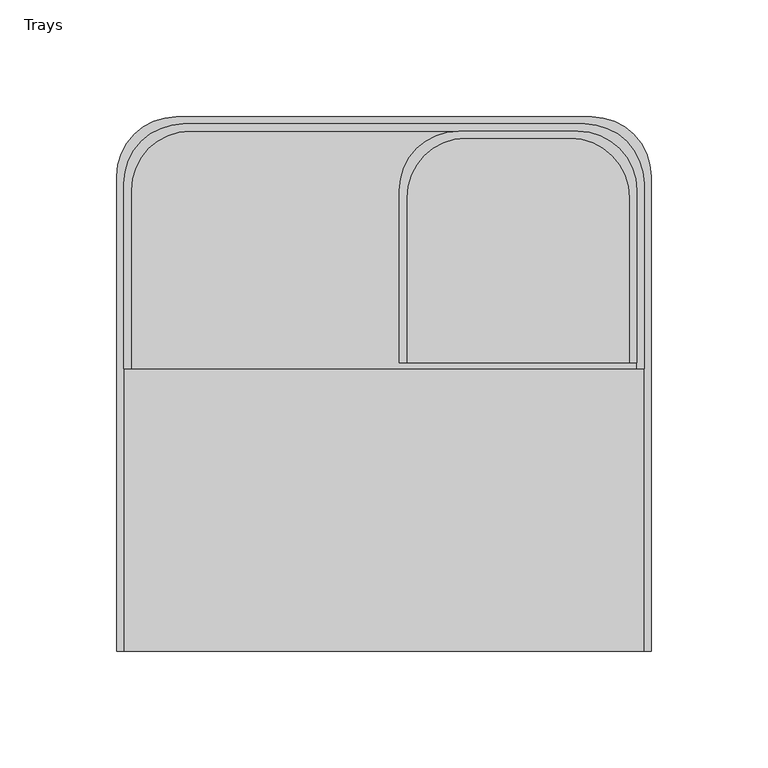
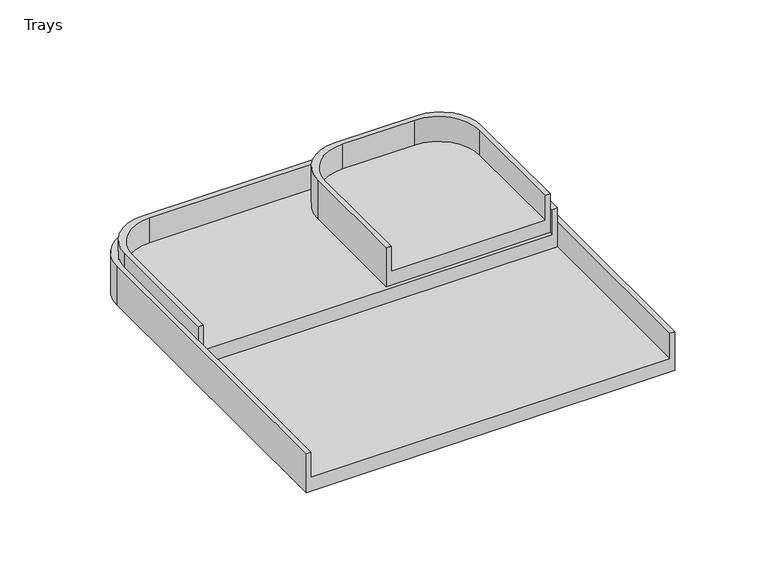
"""IFC4 building model written with IfcOpenShell, lengths in millimetres: furniture geometry, Trays."""

import ifcopenshell
import ifcopenshell.guid

model = None  # the IFC model being written
_history = None  # IfcOwnerHistory: only IFC2X3 demands one
_inside = {}  # id of a spatial element -> (the spatial element, [elements in it])
_under = {}  # id of a project, library or spatial element -> (it, [spatial elements below it])
_declared = {}  # id of a project -> (the project, [libraries it declares])
_typed = {}  # id of a type object -> (the type object, [elements of that type])
_made_of = {}  # id of a material, layer set ... -> (it, [elements and type objects made of it])


def new_model(schema):
    """Start an empty IFC model of exactly this schema.

    Asked for "IFC4X3", IfcOpenShell would pick the latest addendum, in which some entities
    have other attributes; the version numbers below select the first issue.
    IFC2X3 requires an IfcOwnerHistory on every rooted entity: one is made here for all.
    """
    global model, _history
    if schema == "IFC4X3":
        model = ifcopenshell.file(schema_version=(4, 3, 0, 0))
    else:
        model = ifcopenshell.file(schema=schema)
    _inside.clear()
    _under.clear()
    _declared.clear()
    _typed.clear()
    _made_of.clear()
    _history = None
    if model.schema == "IFC2X3":
        org = make("IfcOrganization", Name="unknown")
        user = make(
            "IfcPersonAndOrganization",
            ThePerson=make("IfcPerson", FamilyName="unknown"),
            TheOrganization=org,
        )
        app = make(
            "IfcApplication",
            ApplicationDeveloper=org,
            Version="unknown",
            ApplicationFullName="unknown",
            ApplicationIdentifier="unknown",
        )
        _history = make(
            "IfcOwnerHistory",
            OwningUser=user,
            OwningApplication=app,
            ChangeAction="ADDED",
            CreationDate=0,
        )
    return model


def make(cls, **values):
    """One entity of the class cls with the attributes given. An attribute that is None is left unset."""
    return model.create_entity(
        cls, **{name: value for name, value in values.items() if value is not None}
    )


def rooted(cls, **values):
    """An entity with a GlobalId (a new one), such as an element, a storey or a relation."""
    return make(cls, GlobalId=ifcopenshell.guid.new(), OwnerHistory=_history, **values)


def si_unit(unit_type, name, prefix=None):
    """IfcSIUnit, for example si_unit("LENGTHUNIT", "METRE", prefix="MILLI")."""
    return make("IfcSIUnit", UnitType=unit_type, Prefix=prefix, Name=name)


def assignment(units):
    """IfcUnitAssignment: the units of a project."""
    return None if units is None else make("IfcUnitAssignment", Units=units)


def point(xyz):
    """IfcCartesianPoint."""
    return None if xyz is None else make("IfcCartesianPoint", Coordinates=xyz)


def direction(xyz):
    """IfcDirection."""
    return None if xyz is None else make("IfcDirection", DirectionRatios=xyz)


def frame(location, z_axis=None, x_axis=None):
    """IfcAxis2Placement3D, a coordinate frame: its origin and axes. An axis left out is left unset."""
    return make(
        "IfcAxis2Placement3D",
        Location=point(location),
        Axis=direction(z_axis),
        RefDirection=direction(x_axis),
    )


def origin():
    """The frame at (0, 0, 0) with its axes left unset."""
    return frame((0.0, 0.0, 0.0))


def place(relative_to, where):
    """IfcLocalPlacement: puts the frame where relative to a parent placement (None: the world)."""
    return make(
        "IfcLocalPlacement", PlacementRelTo=relative_to, RelativePlacement=where
    )


def context(
    kind, dimensions, precision=None, world=None, true_north=None, identifier=None
):
    """IfcGeometricRepresentationContext, for example the 3D "Model" context."""
    return make(
        "IfcGeometricRepresentationContext",
        ContextIdentifier=identifier,
        ContextType=kind,
        CoordinateSpaceDimension=dimensions,
        Precision=precision,
        WorldCoordinateSystem=world,
        TrueNorth=true_north,
    )


def project(units=None, contexts=None):
    """IfcProject with its units and contexts."""
    return rooted(
        "IfcProject",
        Name="project",
        RepresentationContexts=contexts,
        UnitsInContext=assignment(units),
    )


def spatial(cls, under=None, at=None, **own):
    """A site, building, storey or space (cls), placed at a placement, below another one or the project."""
    s = rooted(cls, ObjectPlacement=at, **own)
    if under is not None:
        _under.setdefault(under.id(), (under, []))[1].append(s)
    return s


def polyline(points):
    """IfcPolyline through the points."""
    return make("IfcPolyline", Points=[point(p) for p in points])


def circle_curve(where, radius):
    """IfcCircle in the frame where."""
    return make("IfcCircle", Position=where, Radius=radius)


def shape(context_of_items, identifier, shape_type, items):
    """IfcShapeRepresentation: the items that make up one representation, for example the "Body"."""
    return make(
        "IfcShapeRepresentation",
        ContextOfItems=context_of_items,
        RepresentationIdentifier=identifier,
        RepresentationType=shape_type,
        Items=items,
    )


def source(mapping_origin, context_of_items, identifier, shape_type, items):
    """IfcRepresentationMap: a shape defined once, which mapped items show again and again."""
    return make(
        "IfcRepresentationMap",
        MappingOrigin=mapping_origin,
        MappedRepresentation=shape(context_of_items, identifier, shape_type, items),
    )


def transform(
    local_origin,
    x_axis=None,
    y_axis=None,
    z_axis=None,
    scale=None,
    scale2=None,
    scale3=None,
    uniform=True,
):
    """IfcCartesianTransformationOperator3D, or its non-uniform kind. x_axis, y_axis, z_axis: its Axis1, 2, 3."""
    if uniform:
        return make(
            "IfcCartesianTransformationOperator3D",
            Axis1=direction(x_axis),
            Axis2=direction(y_axis),
            LocalOrigin=point(local_origin),
            Scale=scale,
            Axis3=direction(z_axis),
        )
    return make(
        "IfcCartesianTransformationOperator3DnonUniform",
        Axis1=direction(x_axis),
        Axis2=direction(y_axis),
        LocalOrigin=point(local_origin),
        Scale=scale,
        Axis3=direction(z_axis),
        Scale2=scale2,
        Scale3=scale3,
    )


def mapped(mapping_source, mapping_target):
    """IfcMappedItem: shows the shape of a source again, moved by a transform."""
    return make(
        "IfcMappedItem", MappingSource=mapping_source, MappingTarget=mapping_target
    )


def made_of(thing, what):
    """Note that an element or type object is made of a material, layer set ...; save() writes the relation."""
    if what is not None:
        _made_of.setdefault(what.id(), (what, []))[1].append(thing)
    return thing


def element(
    cls,
    number,
    at=None,
    inside=None,
    cuts=None,
    type_object=None,
    material=None,
    context=None,
    identifier="Body",
    shape_type=None,
    held_by="IfcProductDefinitionShape",
    body=None,
    shapes=None,
    **own,
):
    """One element of the class cls, such as IfcWall. Its Tag is "e" and its number.

    at: its placement. inside: the storey or other place that contains it. cuts: it is an
    opening in that element (IfcRelVoidsElement). A single representation is given by context,
    identifier, shape_type and body (its items); several are given by shapes. held_by: the class
    of the entity that holds the representations. save() writes the other relations.
    """
    e = rooted(cls, Tag="e%d" % number, ObjectPlacement=at, **own)
    if body is not None:
        shapes = [shape(context, identifier, shape_type, body)]
    if shapes is not None:
        e.Representation = make(held_by, Representations=shapes)
    if inside is not None:
        _inside.setdefault(inside.id(), (inside, []))[1].append(e)
    if cuts is not None:
        rooted(
            "IfcRelVoidsElement", RelatingBuildingElement=cuts, RelatedOpeningElement=e
        )
    if type_object is not None:
        _typed.setdefault(type_object.id(), (type_object, []))[1].append(e)
    return made_of(e, material)


def aggregate(whole, parts):
    """IfcRelAggregates: a whole, such as a stair, and the parts it consists of."""
    return rooted("IfcRelAggregates", RelatingObject=whole, RelatedObjects=parts)


def save(model, path):
    """Write the relations noted so far, then the file.

    IfcRelAggregates (storeys below a building ...), IfcRelContainedInSpatialStructure (elements
    in a storey), IfcRelDefinesByType, IfcRelAssociatesMaterial and IfcRelDeclares: one each for
    every whole, place, type object, material and project.
    """
    for whole, parts in _under.values():
        aggregate(whole, parts)
    for where, things in _inside.values():
        rooted(
            "IfcRelContainedInSpatialStructure",
            RelatedElements=things,
            RelatingStructure=where,
        )
    for kind, things in _typed.values():
        rooted("IfcRelDefinesByType", RelatedObjects=things, RelatingType=kind)
    for what, things in _made_of.values():
        rooted("IfcRelAssociatesMaterial", RelatedObjects=things, RelatingMaterial=what)
    for by, libraries in _declared.values():
        rooted("IfcRelDeclares", RelatingContext=by, RelatedDefinitions=libraries)
    model.write(path)


def plane_surface(at):
    """IfcPlane: the flat surface through the origin of the frame at, square to its z axis."""
    return make("IfcPlane", Position=at)


def cylinder_surface(at, radius):
    """IfcCylindricalSurface: all points at the distance radius from the z axis of the frame at."""
    return make("IfcCylindricalSurface", Position=at, Radius=radius)


def revolved_surface(curve, axis_point, axis_direction):
    """IfcSurfaceOfRevolution: the curve turned about the line through axis_point along axis_direction."""
    return make(
        "IfcSurfaceOfRevolution",
        SweptCurve=make("IfcArbitraryOpenProfileDef", ProfileType="CURVE", Curve=curve),
        AxisPosition=make("IfcAxis1Placement", Location=point(axis_point), Axis=direction(axis_direction)),
    )


def advanced_brep(points, edges, surfaces, faces):
    """IfcAdvancedBrep: a solid bounded by faces that lie on surfaces and meet in shared edges.

    An edge is (start, end): straight between two places in points (the first is 0);
    or (start, end, curve); or (start, end, curve, False) where it runs against its curve.
    A face is (place in surfaces, loops), or (place, loops, False) where it looks against
    its surface's normal. A loop lists edges by number (the first is 1), with a minus sign
    where the edge is run from its end to its start. The first loop is the outer one.
    """
    corners = [point(p) for p in points]
    vertices = [make("IfcVertexPoint", VertexGeometry=c) for c in corners]
    made = []
    for start, end, *more in edges:
        made.append(
            make(
                "IfcEdgeCurve",
                EdgeStart=vertices[start],
                EdgeEnd=vertices[end],
                EdgeGeometry=more[0] if more else make("IfcPolyline", Points=[corners[start], corners[end]]),
                SameSense=more[1] if len(more) > 1 else True,
            )
        )
    hull = []
    for where, loops, *sense in faces:
        bounds = []
        for j, loop in enumerate(loops):
            ring = [make("IfcOrientedEdge", EdgeElement=made[abs(k) - 1], Orientation=k > 0) for k in loop]
            bounds.append(
                make(
                    "IfcFaceOuterBound" if j == 0 else "IfcFaceBound",
                    Bound=make("IfcEdgeLoop", EdgeList=ring),
                    Orientation=True,
                )
            )
        hull.append(make("IfcAdvancedFace", Bounds=bounds, FaceSurface=surfaces[where], SameSense=sense[0] if sense else True))
    return make("IfcAdvancedBrep", Outer=make("IfcClosedShell", CfsFaces=hull))


def trays_3853d377(model_context):
    return source(origin(), model_context, "Body", "AdvancedBrep", [
        advanced_brep(
        [(108.204, 82.804, 1186.1098322), (82.804, 108.204, 1186.1098322), (32.004, 108.204, 1186.1098322), (6.604, 82.804, 1186.1098322), (6.604, 9.144, 1186.1098322), (9.652, 9.144, 1186.1098322), (9.652, 79.756, 1186.1098322), (35.052, 105.156, 1186.1098322), (79.756, 105.156, 1186.1098322), (105.156, 79.756, 1186.1098322), (105.156, 9.144, 1186.1098322), (108.204, 9.144, 1186.1098322), (108.204, 82.804, 1160.7966397), (108.204, 9.144, 1160.7966397), (6.604, 9.144, 1160.7966397), (6.604, 82.804, 1160.7966397), (32.004, 108.204, 1160.7966397), (82.804, 108.204, 1160.7966397), (105.156, 9.144, 1169.6888117), (9.652, 9.144, 1169.6888117), (105.156, 79.756, 1169.6888117), (79.756, 105.156, 1169.6888117), (35.052, 105.156, 1169.6888117), (9.652, 79.756, 1169.6888117)],
        [
            (0, 1, circle_curve(frame((82.804, 82.804, 1186.1098322), z_axis=(0.0, 0.0, 1.0), x_axis=(1.0, 0.0, 0.0)), 25.4)),
            (1, 2),
            (2, 3, circle_curve(frame((32.004, 82.804, 1186.1098322), z_axis=(0.0, 0.0, 1.0), x_axis=(1.0, 0.0, 0.0)), 25.4)),
            (3, 4),
            (4, 5),
            (5, 6),
            (6, 7, circle_curve(frame((35.052, 79.756, 1186.1098322), z_axis=(0.0, 0.0, -1.0), x_axis=(1.0, 0.0, 0.0)), 25.4)),
            (7, 8),
            (8, 9, circle_curve(frame((79.756, 79.756, 1186.1098322), z_axis=(0.0, 0.0, -1.0), x_axis=(1.0, 0.0, 0.0)), 25.4)),
            (9, 10),
            (10, 11),
            (11, 0),
            (12, 13),
            (13, 14),
            (14, 15),
            (15, 16, circle_curve(frame((32.004, 82.804, 1160.7966397), z_axis=(0.0, 0.0, -1.0), x_axis=(1.0, 0.0, 0.0)), 25.4)),
            (16, 17),
            (17, 12, circle_curve(frame((82.804, 82.804, 1160.7966397), z_axis=(0.0, 0.0, -1.0), x_axis=(1.0, 0.0, 0.0)), 25.4)),
            (0, 12),
            (17, 1),
            (16, 2),
            (15, 3),
            (14, 4),
            (13, 11),
            (10, 18),
            (18, 19),
            (19, 5),
            (20, 21, circle_curve(frame((79.756, 79.756, 1169.6888117), z_axis=(0.0, 0.0, 1.0), x_axis=(1.0, 0.0, 0.0)), 25.4)),
            (21, 22),
            (22, 23, circle_curve(frame((35.052, 79.756, 1169.6888117), z_axis=(0.0, 0.0, 1.0), x_axis=(1.0, 0.0, 0.0)), 25.4)),
            (23, 19),
            (18, 20),
            (20, 9),
            (8, 21),
            (7, 22),
            (6, 23),
        ],
        [
            plane_surface(frame((108.204, 82.804, 1186.1098322), z_axis=(0.0, 0.0, 1.0), x_axis=(0.0, 1.0, 0.0))),
            plane_surface(frame((108.204, 82.804, 1160.7966397), z_axis=(0.0, 0.0, -1.0), x_axis=(0.0, -1.0, 0.0))),
            cylinder_surface(frame((82.804, 82.804, 1160.7966397), z_axis=(0.0, 0.0, 1.0), x_axis=(1.0, 0.0, 0.0)), 25.4),
            plane_surface(frame((82.804, 108.204, 1186.1098322), z_axis=(0.0, 1.0, 0.0), x_axis=(0.0, 0.0, -1.0))),
            cylinder_surface(frame((32.004, 82.804, 1160.7966397), z_axis=(0.0, 0.0, 1.0), x_axis=(1.0, 0.0, 0.0)), 25.4),
            plane_surface(frame((6.604, 82.804, 1186.1098322), z_axis=(-1.0, 0.0, 0.0), x_axis=(0.0, 0.0, -1.0))),
            plane_surface(frame((6.604, 9.144, 1186.1098322), z_axis=(0.0, -1.0, 0.0), x_axis=(0.0, 0.0, -1.0))),
            plane_surface(frame((108.204, 9.144, 1186.1098322), z_axis=(1.0, 0.0, 0.0), x_axis=(0.0, 0.0, -1.0))),
            plane_surface(frame((105.156, 79.756, 1169.6888117), z_axis=(0.0, 0.0, 1.0), x_axis=(0.0, -1.0, 0.0))),
            revolved_surface(polyline([(105.156, 79.756, 1186.1098322), (105.156, 79.756, 1169.6888117)]), (79.756, 79.756, 1169.6888117), (0.0, 0.0, 1.0)),
            plane_surface(frame((79.756, 105.156, 1191.7598038), z_axis=(0.0, -1.0, 0.0), x_axis=(0.0, 0.0, -1.0))),
            revolved_surface(polyline([(60.452, 79.756, 1186.1098322), (60.452, 79.756, 1169.6888117)]), (35.052, 79.756, 1169.6888117), (0.0, 0.0, 1.0)),
            plane_surface(frame((9.652, 79.756, 1191.7598038), z_axis=(1.0, 0.0, 0.0), x_axis=(0.0, 0.0, -1.0))),
            plane_surface(frame((105.156, -9.8666202, 1191.7598038), z_axis=(-1.0, 0.0, 0.0), x_axis=(0.0, 0.0, -1.0))),
        ],
        [
            (0, [[1, 2, 3, 4, 5, 6, 7, 8, 9, 10, 11, 12]]),
            (1, [[13, 14, 15, 16, 17, 18]]),
            (2, [[-1, 19, -18, 20]]),
            (3, [[-2, -20, -17, 21]]),
            (4, [[-3, -21, -16, 22]]),
            (5, [[-4, -22, -15, 23]]),
            (6, [[-14, 24, -11, 25, 26, 27, -5, -23]]),
            (7, [[-12, -24, -13, -19]]),
            (8, [[28, 29, 30, 31, -26, 32]]),
            (9, [[-28, 33, -9, 34]]),
            (10, [[-29, -34, -8, 35]]),
            (11, [[-30, -35, -7, 36]]),
            (12, [[-31, -36, -6, -27]]),
            (13, [[-32, -25, -10, -33]]),
        ],
    ),
        advanced_brep(
        [(-111.252, 85.852, 1177.29), (-111.252, 6.604, 1177.29), (-108.204, 6.604, 1177.29), (-108.204, 82.804, 1177.29), (-82.804, 108.204, 1177.29), (82.804, 108.204, 1177.29), (108.204, 82.804, 1177.29), (108.204, 6.604, 1177.29), (111.252, 6.604, 1177.29), (111.252, 85.852, 1177.29), (85.852, 111.252, 1177.29), (-85.852, 111.252, 1177.29), (-111.252, 85.852, 1151.8886512), (-85.852, 111.252, 1151.8886512), (85.852, 111.252, 1151.8886512), (111.252, 85.852, 1151.8886512), (111.252, 6.604, 1151.8886512), (-111.252, 6.604, 1151.8886512), (108.204, 6.604, 1160.7966397), (-108.204, 6.604, 1160.7966397), (108.204, 82.804, 1160.7966397), (82.804, 108.204, 1160.7966397), (-82.804, 108.204, 1160.7966397), (-108.204, 82.804, 1160.7966397)],
        [
            (0, 1),
            (1, 2),
            (2, 3),
            (3, 4, circle_curve(frame((-82.804, 82.804, 1177.29), z_axis=(0.0, 0.0, -1.0), x_axis=(1.0, 0.0, 0.0)), 25.4)),
            (4, 5),
            (5, 6, circle_curve(frame((82.804, 82.804, 1177.29), z_axis=(0.0, 0.0, -1.0), x_axis=(1.0, 0.0, 0.0)), 25.4)),
            (6, 7),
            (7, 8),
            (8, 9),
            (9, 10, circle_curve(frame((85.852, 85.852, 1177.29), z_axis=(0.0, 0.0, 1.0), x_axis=(1.0, 0.0, 0.0)), 25.4)),
            (10, 11),
            (11, 0, circle_curve(frame((-85.852, 85.852, 1177.29), z_axis=(0.0, 0.0, 1.0), x_axis=(1.0, 0.0, 0.0)), 25.4)),
            (12, 13, circle_curve(frame((-85.852, 85.852, 1151.8886512), z_axis=(0.0, 0.0, -1.0), x_axis=(1.0, 0.0, 0.0)), 25.4)),
            (13, 14),
            (14, 15, circle_curve(frame((85.852, 85.852, 1151.8886512), z_axis=(0.0, 0.0, -1.0), x_axis=(1.0, 0.0, 0.0)), 25.4)),
            (15, 16),
            (16, 17),
            (17, 12),
            (0, 12),
            (17, 1),
            (16, 8),
            (7, 18),
            (18, 19),
            (19, 2),
            (15, 9),
            (14, 10),
            (13, 11),
            (20, 21, circle_curve(frame((82.804, 82.804, 1160.7966397), z_axis=(0.0, 0.0, 1.0), x_axis=(1.0, 0.0, 0.0)), 25.4)),
            (21, 22),
            (22, 23, circle_curve(frame((-82.804, 82.804, 1160.7966397), z_axis=(0.0, 0.0, 1.0), x_axis=(1.0, 0.0, 0.0)), 25.4)),
            (23, 19),
            (18, 20),
            (23, 3),
            (6, 20),
            (5, 21),
            (4, 22),
        ],
        [
            plane_surface(frame((-111.252, 95.504, 1177.29), z_axis=(0.0, 0.0, 1.0), x_axis=(0.0, -1.0, 0.0))),
            plane_surface(frame((-111.252, 95.504, 1151.8886512), z_axis=(0.0, 0.0, -1.0), x_axis=(0.0, 1.0, 0.0))),
            plane_surface(frame((-111.252, 85.852, 1177.29), z_axis=(-1.0, 0.0, 0.0), x_axis=(0.0, 0.0, -1.0))),
            plane_surface(frame((-111.252, 6.604, 1177.29), z_axis=(0.0, -1.0, 0.0), x_axis=(0.0, 0.0, -1.0))),
            plane_surface(frame((111.252, 6.604, 1177.29), z_axis=(1.0, 0.0, 0.0), x_axis=(0.0, 0.0, -1.0))),
            cylinder_surface(frame((85.852, 85.852, 1151.8886512), z_axis=(0.0, 0.0, 1.0), x_axis=(1.0, 0.0, 0.0)), 25.4),
            plane_surface(frame((85.852, 111.252, 1177.29), z_axis=(0.0, 1.0, 0.0), x_axis=(0.0, 0.0, -1.0))),
            cylinder_surface(frame((-85.852, 85.852, 1151.8886512), z_axis=(0.0, 0.0, 1.0), x_axis=(1.0, 0.0, 0.0)), 25.4),
            plane_surface(frame((-108.204, 95.504, 1160.7966397), z_axis=(0.0, 0.0, 1.0), x_axis=(0.0, 1.0, 0.0))),
            plane_surface(frame((-108.204, 82.804, 1185.1498432), z_axis=(1.0, 0.0, 0.0), x_axis=(0.0, 0.0, -1.0))),
            plane_surface(frame((108.204, -9.8666202, 1185.1498432), z_axis=(-1.0, 0.0, 0.0), x_axis=(0.0, 0.0, -1.0))),
            revolved_surface(polyline([(108.20400000000001, 82.804, 1177.29), (108.20400000000001, 82.804, 1160.7966397)]), (82.804, 82.804, 1160.7966397), (0.0, 0.0, 1.0)),
            plane_surface(frame((82.804, 108.204, 1185.1498432), z_axis=(0.0, -1.0, 0.0), x_axis=(0.0, 0.0, -1.0))),
            revolved_surface(polyline([(-57.404, 82.804, 1177.29), (-57.404, 82.804, 1160.7966397)]), (-82.804, 82.804, 1160.7966397), (0.0, 0.0, 1.0)),
        ],
        [
            (0, [[1, 2, 3, 4, 5, 6, 7, 8, 9, 10, 11, 12]]),
            (1, [[13, 14, 15, 16, 17, 18]]),
            (2, [[-1, 19, -18, 20]]),
            (3, [[-17, 21, -8, 22, 23, 24, -2, -20]]),
            (4, [[-9, -21, -16, 25]]),
            (5, [[-10, -25, -15, 26]]),
            (6, [[-11, -26, -14, 27]]),
            (7, [[-12, -27, -13, -19]]),
            (8, [[28, 29, 30, 31, -23, 32]]),
            (9, [[-31, 33, -3, -24]]),
            (10, [[-32, -22, -7, 34]]),
            (11, [[-28, -34, -6, 35]]),
            (12, [[-29, -35, -5, 36]]),
            (13, [[-30, -36, -4, -33]]),
        ],
    ),
        advanced_brep(
        [(114.3, -114.3, 1168.4), (114.3, 88.9, 1168.4), (88.9, 114.3, 1168.4), (-88.9, 114.3, 1168.4), (-114.3, 88.9, 1168.4), (-114.3, -114.3, 1168.4), (-111.252, -114.3, 1168.4), (-111.252, 85.852, 1168.4), (-85.852, 111.252, 1168.4), (85.852, 111.252, 1168.4), (111.252, 85.852, 1168.4), (111.252, -114.3, 1168.4), (-114.3, -114.3, 1143.0), (-114.3, 88.9, 1143.0), (-88.9, 114.3, 1143.0), (88.9, 114.3, 1143.0), (114.3, 88.9, 1143.0), (114.3, -114.3, 1143.0), (111.252, -114.3, 1151.8886512), (-111.252, -114.3, 1151.8886512), (111.252, 85.852, 1151.8886512), (85.852, 111.252, 1151.8886512), (-85.852, 111.252, 1151.8886512), (-111.252, 85.852, 1151.8886512)],
        [
            (0, 1),
            (1, 2, circle_curve(frame((88.9, 88.9, 1168.4), z_axis=(0.0, 0.0, 1.0), x_axis=(1.0, 0.0, 0.0)), 25.4)),
            (2, 3),
            (3, 4, circle_curve(frame((-88.9, 88.9, 1168.4), z_axis=(0.0, 0.0, 1.0), x_axis=(1.0, 0.0, 0.0)), 25.4)),
            (4, 5),
            (5, 6),
            (6, 7),
            (7, 8, circle_curve(frame((-85.852, 85.852, 1168.4), z_axis=(0.0, 0.0, -1.0), x_axis=(1.0, 0.0, 0.0)), 25.4)),
            (8, 9),
            (9, 10, circle_curve(frame((85.852, 85.852, 1168.4), z_axis=(0.0, 0.0, -1.0), x_axis=(1.0, 0.0, 0.0)), 25.4)),
            (10, 11),
            (11, 0),
            (12, 13),
            (13, 14, circle_curve(frame((-88.9, 88.9, 1143.0), z_axis=(0.0, 0.0, -1.0), x_axis=(1.0, 0.0, 0.0)), 25.4)),
            (14, 15),
            (15, 16, circle_curve(frame((88.9, 88.9, 1143.0), z_axis=(0.0, 0.0, -1.0), x_axis=(1.0, 0.0, 0.0)), 25.4)),
            (16, 17),
            (17, 12),
            (17, 0),
            (11, 18),
            (18, 19),
            (19, 6),
            (5, 12),
            (16, 1),
            (15, 2),
            (14, 3),
            (13, 4),
            (20, 21, circle_curve(frame((85.852, 85.852, 1151.8886512), z_axis=(0.0, 0.0, 1.0), x_axis=(1.0, 0.0, 0.0)), 25.4)),
            (21, 22),
            (22, 23, circle_curve(frame((-85.852, 85.852, 1151.8886512), z_axis=(0.0, 0.0, 1.0), x_axis=(1.0, 0.0, 0.0)), 25.4)),
            (23, 19),
            (18, 20),
            (10, 20),
            (21, 9),
            (8, 22),
            (23, 7),
        ],
        [
            plane_surface(frame((208.9818424, -114.3, 1168.4), z_axis=(0.0, 0.0, 1.0), x_axis=(1.0, 0.0, 0.0))),
            plane_surface(frame((208.9818424, -114.3, 1143.0), z_axis=(0.0, 0.0, -1.0), x_axis=(-1.0, 0.0, 0.0))),
            plane_surface(frame((-114.3, -114.3, 1168.4), z_axis=(0.0, -1.0, 0.0), x_axis=(0.0, 0.0, -1.0))),
            plane_surface(frame((114.3, -114.3, 1168.4), z_axis=(1.0, 0.0, 0.0), x_axis=(0.0, 0.0, -1.0))),
            cylinder_surface(frame((88.9, 88.9, 1143.0), z_axis=(0.0, 0.0, 1.0), x_axis=(1.0, 0.0, 0.0)), 25.4),
            plane_surface(frame((88.9, 114.3, 1168.4), z_axis=(0.0, 1.0, 0.0), x_axis=(0.0, 0.0, -1.0))),
            cylinder_surface(frame((-88.9, 88.9, 1143.0), z_axis=(0.0, 0.0, 1.0), x_axis=(1.0, 0.0, 0.0)), 25.4),
            plane_surface(frame((-114.3, 88.9, 1168.4), z_axis=(-1.0, 0.0, 0.0), x_axis=(0.0, 0.0, -1.0))),
            plane_surface(frame((208.9818424, -117.348, 1151.8886512), z_axis=(0.0, 0.0, 1.0), x_axis=(-1.0, 0.0, 0.0))),
            plane_surface(frame((111.252, -117.348, 1175.2290398), z_axis=(-1.0, 0.0, 0.0), x_axis=(0.0, 0.0, -1.0))),
            plane_surface(frame((85.852, 111.252, 1175.2290398), z_axis=(0.0, -1.0, 0.0), x_axis=(0.0, 0.0, -1.0))),
            plane_surface(frame((-111.252, 85.852, 1175.2290398), z_axis=(1.0, 0.0, 0.0), x_axis=(0.0, 0.0, -1.0))),
            revolved_surface(polyline([(111.25200000000001, 85.852, 1168.4), (111.25200000000001, 85.852, 1151.8886512)]), (85.852, 85.852, 1151.8886512), (0.0, 0.0, 1.0)),
            revolved_surface(polyline([(-60.452000000000005, 85.852, 1168.4), (-60.452000000000005, 85.852, 1151.8886512)]), (-85.852, 85.852, 1151.8886512), (0.0, 0.0, 1.0)),
        ],
        [
            (0, [[1, 2, 3, 4, 5, 6, 7, 8, 9, 10, 11, 12]]),
            (1, [[13, 14, 15, 16, 17, 18]]),
            (2, [[-18, 19, -12, 20, 21, 22, -6, 23]]),
            (3, [[-1, -19, -17, 24]]),
            (4, [[-2, -24, -16, 25]]),
            (5, [[-3, -25, -15, 26]]),
            (6, [[-4, -26, -14, 27]]),
            (7, [[-5, -27, -13, -23]]),
            (8, [[28, 29, 30, 31, -21, 32]]),
            (9, [[-32, -20, -11, 33]]),
            (10, [[-29, 34, -9, 35]]),
            (11, [[-31, 36, -7, -22]]),
            (12, [[-28, -33, -10, -34]]),
            (13, [[-30, -35, -8, -36]]),
        ],
    ),
    ])


if __name__ == "__main__":
    model = new_model("IFC4")
    model_context = context("Model", 3, world=origin())
    ifc_project = project(units=[si_unit("LENGTHUNIT", "METRE", prefix="MILLI")], contexts=[model_context])
    site = spatial("IfcSite", under=ifc_project)
    building = spatial("IfcBuilding", under=site)
    placement = place(None, origin())
    trays_shape = trays_3853d377(model_context)
    element("IfcFurniture", 1, ObjectType="Trays", at=placement, inside=building, context=model_context, shape_type="MappedRepresentation", body=[
        mapped(trays_shape, transform((0.0, 0.0, 0.0), x_axis=(1.0, 0.0, 0.0), y_axis=(0.0, 1.0, 0.0), z_axis=(0.0, 0.0, 1.0))),
    ])
    save(model, "model.ifc")
